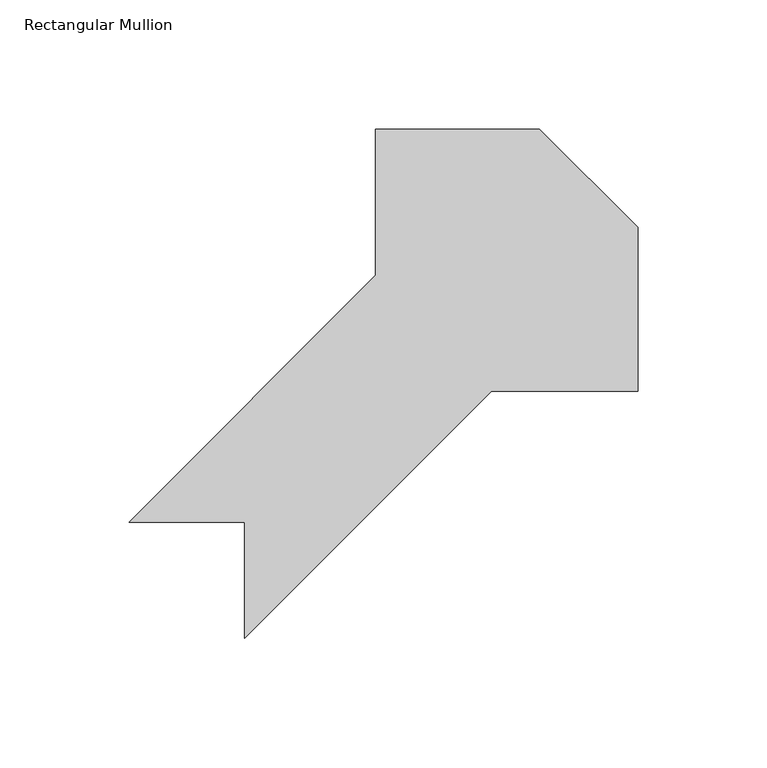
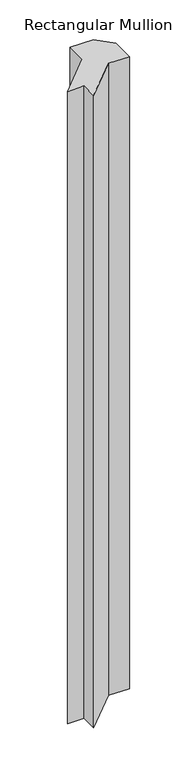
"""IFC4 building model written with IfcOpenShell, lengths in millimetres: member geometry, Rectangular Mullion."""

from ifc_helpers import new_model, si_unit, frame, origin, place, context, project, spatial, polyline, outline, extrude, source, transform, mapped, element, save


def rectangular_mullion_17d8fca2(model_context):
    return source(origin(), model_context, "Body", "SweptSolid", [
        extrude(outline(polyline([(-123.7794391, -168.7262806), (-123.7794391, -123.825), (-168.6807197, -123.825), (-72.9794391, -28.1237194), (-72.9794391, 28.575), (-9.4794481, 28.575), (28.6205609, -9.525009), (28.6205609, -73.025), (-28.0781585, -73.025), (-123.7794391, -168.7262806)])), frame((0.0, 0.0, -1803.4), z_axis=(0.0, 0.0, 1.0), x_axis=(1.0, 0.0, 0.0)), (0.0, 0.0, 1.0), 1803.4),
    ])


if __name__ == "__main__":
    model = new_model("IFC4")
    model_context = context("Model", 3, world=origin())
    ifc_project = project(units=[si_unit("LENGTHUNIT", "METRE", prefix="MILLI")], contexts=[model_context])
    site = spatial("IfcSite", under=ifc_project)
    building = spatial("IfcBuilding", under=site)
    placement = place(None, origin())
    rectangular_mullion_shape = rectangular_mullion_17d8fca2(model_context)
    element("IfcMember", 1, ObjectType="Rectangular Mullion", at=placement, inside=building, context=model_context, shape_type="MappedRepresentation", body=[
        mapped(rectangular_mullion_shape, transform((0.0, 0.0, 0.0), x_axis=(1.0, 0.0, 0.0), y_axis=(0.0, 1.0, 0.0), z_axis=(0.0, 0.0, 1.0))),
    ])
    save(model, "model.ifc")
